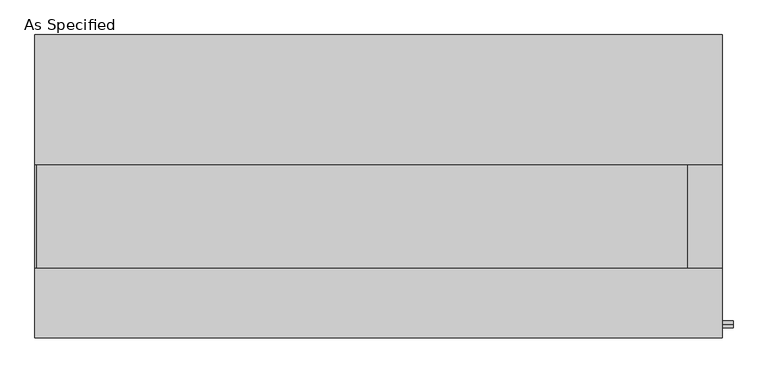
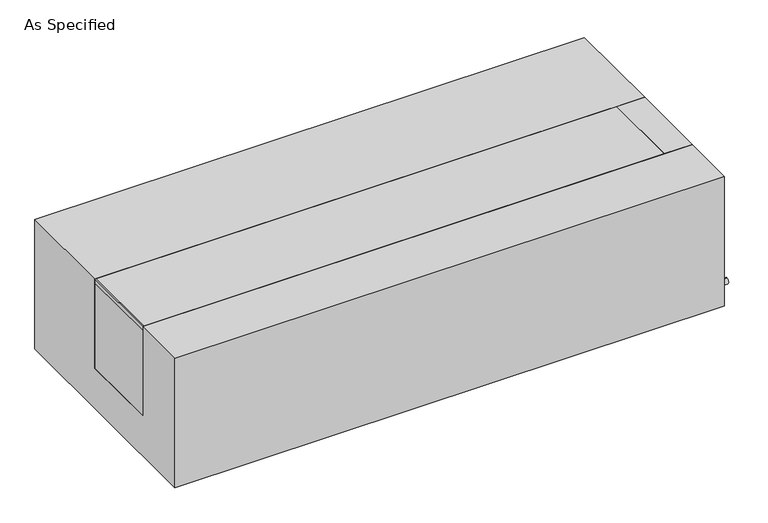
"""IFC4 building model written with IfcOpenShell, lengths in millimetres: proxy geometry, As Specified."""

from ifc_helpers import new_model, si_unit, point, frame, frame_2d, origin, place, context, project, spatial, polyline, circle_curve, trimmed, segment, composite_curve, outline, extrude, source, transform, mapped, element, save


def as_specified_7cdee919(model_context):
    return source(origin(), model_context, "Body", "SweptSolid", [
        extrude(outline(composite_curve([segment(trimmed(circle_curve(frame_2d((-407.9875, -466.725)), 10.5), [point((-407.9875, -456.225))], [point((-407.9875, -477.225))], False, "CARTESIAN"), True, "CONTINUOUS"), segment(trimmed(circle_curve(frame_2d((-407.9875, -466.725)), 10.5), [point((-407.9875, -477.225))], [point((-407.9875, -456.225))], False, "CARTESIAN"), True, "CONTINUOUS")], self_intersect=False)), frame((1014.4125, 0.0, 0.0), z_axis=(1.0, 0.0, 0.0), x_axis=(0.0, 1.0, 0.0)), (0.0, 0.0, 1.0), 31.8403384),
        extrude(outline(polyline([(912.01875, -241.3), (912.01875, 63.5), (1014.4125, 63.5), (1014.4125, -241.3), (912.01875, -241.3)])), frame((0.0, 0.0, -373.0625), z_axis=(0.0, 0.0, 1.0), x_axis=(1.0, 0.0, 0.0)), (0.0, 0.0, 1.0), 347.6625),
        extrude(outline(polyline([(-1010.44375, -241.3), (-1014.4125, -241.3), (-1014.4125, 63.5), (-1010.44375, 63.5), (-1010.44375, -241.3)])), frame((0.0, 0.0, -39.6875), z_axis=(0.0, 0.0, 1.0), x_axis=(1.0, 0.0, 0.0)), (0.0, 0.0, 1.0), 14.2875),
        extrude(outline(polyline([(912.01875, 63.5), (912.01875, -241.3), (-1014.4125, -241.3), (-1014.4125, 63.5), (912.01875, 63.5)])), frame((0.0, 0.0, -373.0625), z_axis=(0.0, 0.0, 1.0), x_axis=(1.0, 0.0, 0.0)), (0.0, 0.0, 1.0), 347.6625),
        extrude(outline(polyline([(447.675, -25.4), (447.675, -530.225), (-447.675, -530.225), (-447.675, -25.4), (-241.3, -25.4), (-241.3, -373.0625), (63.5, -373.0625), (63.5, -25.4), (447.675, -25.4)])), frame((-1014.4125, 0.0, 0.0), z_axis=(1.0, 0.0, 0.0), x_axis=(0.0, 1.0, 0.0)), (0.0, 0.0, 1.0), 2028.825),
    ])


if __name__ == "__main__":
    model = new_model("IFC4")
    model_context = context("Model", 3, world=origin())
    ifc_project = project(units=[si_unit("LENGTHUNIT", "METRE", prefix="MILLI")], contexts=[model_context])
    site = spatial("IfcSite", under=ifc_project)
    building = spatial("IfcBuilding", under=site)
    placement = place(None, origin())
    as_specified_shape = as_specified_7cdee919(model_context)
    element("IfcBuildingElementProxy", 1, Name="As Specified", ObjectType="As Specified", at=placement, inside=building, context=model_context, shape_type="MappedRepresentation", body=[
        mapped(as_specified_shape, transform((0.0, 0.0, 0.0), x_axis=(1.0, 0.0, 0.0), y_axis=(0.0, 1.0, 0.0), z_axis=(0.0, 0.0, 1.0))),
    ])
    save(model, "model.ifc")
